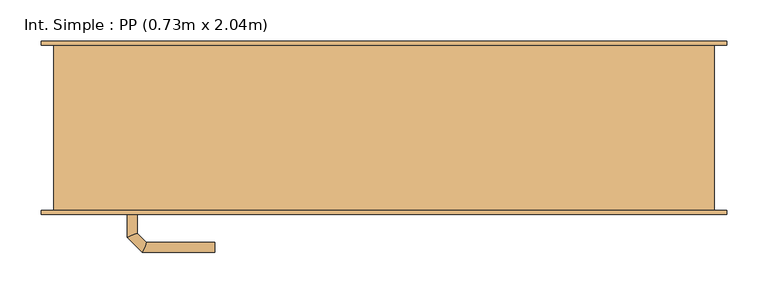
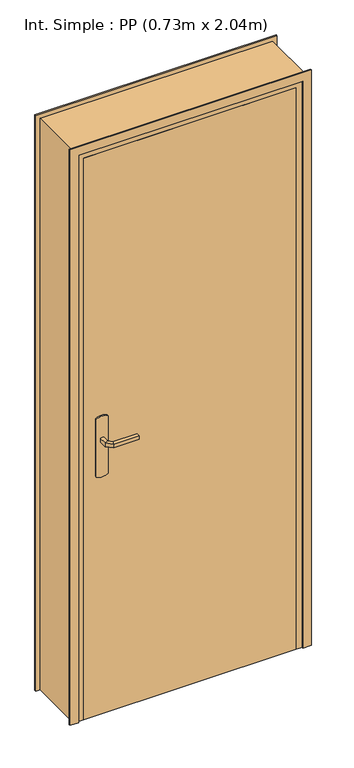
"""IFC4 building model written with IfcOpenShell, lengths in millimetres: door geometry, Int. Simple : PP (0.73m x 2.04m)."""

from ifc_helpers import new_model, si_unit, point, frame, frame_2d, origin, origin_with_axes, place, context, project, spatial, polyline, circle_curve, ellipse_curve, trimmed, segment, composite_curve, outline, extrude, faceted_brep, source, transform, mapped, element, save
from ifc_brep_helpers import plane_surface, cylinder_surface, advanced_brep


def int_simple_pp_0_73m_x_2_04m_83361101(model_context):
    return source(origin(), model_context, "Body", "SolidModel", [
        extrude(outline(composite_curve([segment(trimmed(circle_curve(frame_2d((904.6410162, -340.0)), 40.0), [point((870.0, -360.0))], [point((870.0, -320.0))], False, "CARTESIAN"), True, "CONTINUOUS"), segment(polyline([(870.0, -320.0), (1080.0, -320.0)]), True, "CONTINUOUS"), segment(trimmed(circle_curve(frame_2d((1045.3589838, -340.0)), 40.0), [point((1080.0, -320.0))], [point((1080.0, -360.0))], False, "CARTESIAN"), True, "CONTINUOUS"), segment(polyline([(1080.0, -360.0), (870.0, -360.0)]), True, "CONTINUOUS")], self_intersect=False)), frame((0.0, -105.0, 0.0), z_axis=(0.0, 1.0, 0.0), x_axis=(0.0, 0.0, 1.0)), (0.0, 0.0, 1.0), 5.0),
        extrude(outline(composite_curve([segment(trimmed(circle_curve(frame_2d((1045.3589838, -340.0)), 40.0), [point((1080.0, -320.0))], [point((1080.0, -360.0))], False, "CARTESIAN"), True, "CONTINUOUS"), segment(polyline([(1080.0, -360.0), (870.0, -360.0)]), True, "CONTINUOUS"), segment(trimmed(circle_curve(frame_2d((904.6410162, -340.0)), 40.0), [point((870.0, -360.0))], [point((870.0, -320.0))], False, "CARTESIAN"), True, "CONTINUOUS"), segment(polyline([(870.0, -320.0), (1080.0, -320.0)]), True, "CONTINUOUS")], self_intersect=False)), frame((0.0, -60.0, 0.0), z_axis=(0.0, 1.0, 0.0), x_axis=(0.0, 0.0, 1.0)), (0.0, 0.0, 1.0), 5.0),
        advanced_brep(
        [(-346.0, -105.0, 1007.0), (-334.0, -105.0, 1007.0), (-334.0, -105.0, 993.0), (-346.0, -105.0, 993.0), (-346.0, -132.6509507, 1007.0), (-334.0, -127.680388, 1007.0), (-334.0, -127.680388, 993.0), (-346.0, -132.6509507, 993.0), (-327.62279, -151.0281607, 1007.0), (-322.6522273, -139.0281607, 1007.0), (-322.6522273, -139.0281607, 993.0), (-327.62279, -151.0281607, 993.0), (-239.9813594, -151.0281607, 1007.0), (-239.9813594, -151.0281607, 993.0), (-239.9813594, -139.0281607, 993.0), (-239.9813594, -139.0281607, 1007.0)],
        [
            (0, 1, circle_curve(frame((-340.0, -105.0, 986.9542278), z_axis=(0.0, 1.0, 0.0), x_axis=(1.0, 0.0, 0.0)), 20.9244589)),
            (1, 2),
            (2, 3, circle_curve(frame((-340.0, -105.0, 1013.0457722), z_axis=(0.0, 1.0, 0.0), x_axis=(1.0, 0.0, 0.0)), 20.9244589)),
            (3, 0),
            (0, 4),
            (4, 5, ellipse_curve(frame((-340.0, -130.1656693, 986.9542278), z_axis=(-0.3826834323651126, 0.9238795325112773, 0.0), x_axis=(0.9238795325112775, 0.38268343236511254, 0.0)), 22.6484711, 20.9244589)),
            (5, 1),
            (5, 6),
            (6, 2),
            (6, 7, ellipse_curve(frame((-340.0, -130.1656693, 1013.0457722), z_axis=(-0.3826834323651126, 0.9238795325112773, 0.0), x_axis=(0.9238795325112775, 0.38268343236511254, 0.0)), 22.6484711, 20.9244589)),
            (7, 3),
            (7, 4),
            (4, 8),
            (8, 9, ellipse_curve(frame((-325.1375086, -145.0281607, 986.9542278), z_axis=(-0.9238795325112962, 0.38268343236506686, 0.0), x_axis=(0.3826834323650665, 0.9238795325112965, 0.0)), 22.6484711, 20.9244589)),
            (9, 5),
            (9, 10),
            (10, 6),
            (10, 11, ellipse_curve(frame((-325.1375086, -145.0281607, 1013.0457722), z_axis=(-0.9238795325112962, 0.38268343236506686, 0.0), x_axis=(0.3826834323650665, 0.9238795325112965, 0.0)), 22.6484711, 20.9244589)),
            (11, 7),
            (11, 8),
            (12, 13),
            (13, 14, circle_curve(frame((-239.9813594, -145.0281607, 1013.0457722), z_axis=(1.0, 0.0, 0.0), x_axis=(0.0, 1.0, 0.0)), 20.9244589)),
            (14, 15),
            (15, 12, circle_curve(frame((-239.9813594, -145.0281607, 986.9542278), z_axis=(1.0, 0.0, 0.0), x_axis=(0.0, 1.0, 0.0)), 20.9244589)),
            (8, 12),
            (15, 9),
            (14, 10),
            (13, 11),
        ],
        [
            plane_surface(frame((-349.2195445, -105.0, 1000.0), z_axis=(0.0, 1.0, 0.0), x_axis=(0.0, 0.0, -1.0))),
            cylinder_surface(frame((-340.0, -105.0, 986.9542278), z_axis=(0.0, 1.0, 0.0), x_axis=(1.0, 0.0, 0.0)), 20.9244589),
            plane_surface(frame((-334.0, -105.0, 1007.0), z_axis=(1.0, 0.0, 0.0), x_axis=(0.0, -1.0, 0.0))),
            cylinder_surface(frame((-340.0, -105.0, 1013.0457722), z_axis=(0.0, 1.0, 0.0), x_axis=(1.0, 0.0, 0.0)), 20.9244589),
            plane_surface(frame((-346.0, -105.0, 993.0), z_axis=(-1.0, 0.0, 0.0), x_axis=(0.0, -1.0, 0.0))),
            cylinder_surface(frame((-340.0, -130.1656693, 986.9542278), z_axis=(-0.7071067811865798, 0.7071067811865152, 0.0), x_axis=(0.7071067811865152, 0.7071067811865798, 0.0)), 20.9244589),
            plane_surface(frame((-334.0, -127.680388, 1007.0), z_axis=(0.7071067811865152, 0.7071067811865799, 0.0), x_axis=(0.7071067811865799, -0.7071067811865152, 0.0))),
            cylinder_surface(frame((-340.0, -130.1656693, 1013.0457722), z_axis=(-0.7071067811865798, 0.7071067811865152, 0.0), x_axis=(0.7071067811865152, 0.7071067811865798, 0.0)), 20.9244589),
            plane_surface(frame((-346.0, -132.6509507, 993.0), z_axis=(-0.7071067811865152, -0.7071067811865799, 0.0), x_axis=(0.7071067811865799, -0.7071067811865152, 0.0))),
            plane_surface(frame((-239.9813594, -145.0281607, 990.7804555), z_axis=(1.0, 0.0, 0.0), x_axis=(0.0, 1.0, 0.0))),
            cylinder_surface(frame((-325.1375086, -145.0281607, 986.9542278), z_axis=(-1.0, 0.0, 0.0), x_axis=(0.0, 1.0, 0.0)), 20.9244589),
            plane_surface(frame((-322.6522273, -139.0281607, 1007.0), z_axis=(0.0, 1.0, 0.0), x_axis=(1.0, 0.0, 0.0))),
            cylinder_surface(frame((-325.1375086, -145.0281607, 1013.0457722), z_axis=(-1.0, 0.0, 0.0), x_axis=(0.0, 1.0, 0.0)), 20.9244589),
            plane_surface(frame((-327.62279, -151.0281607, 993.0), z_axis=(0.0, -1.0, 0.0), x_axis=(1.0, 0.0, 0.0))),
        ],
        [
            (0, [[1, 2, 3, 4]]),
            (1, [[-1, 5, 6, 7]]),
            (2, [[-2, -7, 8, 9]]),
            (3, [[-3, -9, 10, 11]]),
            (4, [[-4, -11, 12, -5]]),
            (5, [[-6, 13, 14, 15]]),
            (6, [[-8, -15, 16, 17]]),
            (7, [[-10, -17, 18, 19]]),
            (8, [[-12, -19, 20, -13]]),
            (9, [[21, 22, 23, 24]]),
            (10, [[-14, 25, -24, 26]]),
            (11, [[-16, -26, -23, 27]]),
            (12, [[-18, -27, -22, 28]]),
            (13, [[-20, -28, -21, -25]]),
        ],
    ),
        advanced_brep(
        [(-334.0, -55.0, 993.0), (-334.0, -55.0, 1007.0), (-346.0, -55.0, 1007.0), (-346.0, -55.0, 993.0), (-334.0, -32.5147955, 993.0), (-334.0, -32.5147955, 1007.0), (-346.0, -27.5442327, 1007.0), (-346.0, -27.5442327, 993.0), (-322.5147186, -21.0295141, 993.0), (-322.5147186, -21.0295141, 1007.0), (-327.4852814, -9.0295141, 1007.0), (-327.4852814, -9.0295141, 993.0), (-239.9542163, -21.0295141, 993.0), (-239.9542163, -9.0295141, 993.0), (-239.9542163, -9.0295141, 1007.0), (-239.9542163, -21.0295141, 1007.0)],
        [
            (0, 1),
            (1, 2, circle_curve(frame((-340.0, -55.0, 986.9542278), z_axis=(0.0, -1.0, 0.0), x_axis=(-1.0, 0.0, 0.0)), 20.9244589)),
            (2, 3),
            (3, 0, circle_curve(frame((-340.0, -55.0, 1013.0457722), z_axis=(0.0, -1.0, 0.0), x_axis=(-1.0, 0.0, 0.0)), 20.9244589)),
            (0, 4),
            (4, 5),
            (5, 1),
            (5, 6, ellipse_curve(frame((-340.0, -30.0295141, 986.9542278), z_axis=(-0.3826834323651055, -0.9238795325112801, 0.0), x_axis=(0.9238795325112799, -0.3826834323651064, 0.0)), 22.6484711, 20.9244589)),
            (6, 2),
            (6, 7),
            (7, 3),
            (7, 4, ellipse_curve(frame((-340.0, -30.0295141, 1013.0457722), z_axis=(-0.3826834323651055, -0.9238795325112801, 0.0), x_axis=(0.9238795325112799, -0.3826834323651064, 0.0)), 22.6484711, 20.9244589)),
            (4, 8),
            (8, 9),
            (9, 5),
            (9, 10, ellipse_curve(frame((-325.0, -15.0295141, 986.9542278), z_axis=(-0.9238795325112932, -0.382683432365074, 0.0), x_axis=(0.3826834323650737, -0.9238795325112934, 0.0)), 22.6484711, 20.9244589)),
            (10, 6),
            (10, 11),
            (11, 7),
            (11, 8, ellipse_curve(frame((-325.0, -15.0295141, 1013.0457722), z_axis=(-0.9238795325112932, -0.382683432365074, 0.0), x_axis=(0.3826834323650737, -0.9238795325112934, 0.0)), 22.6484711, 20.9244589)),
            (12, 13, circle_curve(frame((-239.9542163, -15.0295141, 1013.0457722), z_axis=(1.0, 0.0, 0.0), x_axis=(0.0, 1.0, 0.0)), 20.9244589)),
            (13, 14),
            (14, 15, circle_curve(frame((-239.9542163, -15.0295141, 986.9542278), z_axis=(1.0, 0.0, 0.0), x_axis=(0.0, 1.0, 0.0)), 20.9244589)),
            (15, 12),
            (8, 12),
            (15, 9),
            (14, 10),
            (13, 11),
        ],
        [
            plane_surface(frame((-349.2195445, -55.0, 1000.0), z_axis=(0.0, -1.0, 0.0), x_axis=(0.0, 0.0, 1.0))),
            plane_surface(frame((-334.0, -55.0, 993.0), z_axis=(1.0, 0.0, 0.0), x_axis=(0.0, 1.0, 0.0))),
            cylinder_surface(frame((-340.0, -55.0, 986.9542278), z_axis=(0.0, -1.0, 0.0), x_axis=(-1.0, 0.0, 0.0)), 20.9244589),
            plane_surface(frame((-346.0, -55.0, 1007.0), z_axis=(-1.0, 0.0, 0.0), x_axis=(0.0, 1.0, 0.0))),
            cylinder_surface(frame((-340.0, -55.0, 1013.0457722), z_axis=(0.0, -1.0, 0.0), x_axis=(-1.0, 0.0, 0.0)), 20.9244589),
            plane_surface(frame((-334.0, -32.5147955, 993.0), z_axis=(0.7071067811865208, -0.7071067811865742, 0.0), x_axis=(0.7071067811865742, 0.7071067811865208, 0.0))),
            cylinder_surface(frame((-340.0, -30.0295141, 986.9542278), z_axis=(-0.7071067811865742, -0.7071067811865208, 0.0), x_axis=(-0.7071067811865208, 0.7071067811865742, 0.0)), 20.9244589),
            plane_surface(frame((-346.0, -27.5442327, 1007.0), z_axis=(-0.7071067811865209, 0.7071067811865741, 0.0), x_axis=(0.7071067811865741, 0.7071067811865209, 0.0))),
            cylinder_surface(frame((-340.0, -30.0295141, 1013.0457722), z_axis=(-0.7071067811865742, -0.7071067811865208, 0.0), x_axis=(-0.7071067811865208, 0.7071067811865742, 0.0)), 20.9244589),
            plane_surface(frame((-239.9542163, -15.0295141, 990.7804555), z_axis=(1.0, 0.0, 0.0), x_axis=(0.0, 1.0, 0.0))),
            plane_surface(frame((-322.5147186, -21.0295141, 993.0), z_axis=(0.0, -1.0, 0.0), x_axis=(1.0, 0.0, 0.0))),
            cylinder_surface(frame((-325.0, -15.0295141, 986.9542278), z_axis=(-1.0, 0.0, 0.0), x_axis=(0.0, 1.0, 0.0)), 20.9244589),
            plane_surface(frame((-327.4852814, -9.0295141, 1007.0), z_axis=(0.0, 1.0, 0.0), x_axis=(1.0, 0.0, 0.0))),
            cylinder_surface(frame((-325.0, -15.0295141, 1013.0457722), z_axis=(-1.0, 0.0, 0.0), x_axis=(0.0, 1.0, 0.0)), 20.9244589),
        ],
        [
            (0, [[1, 2, 3, 4]]),
            (1, [[-1, 5, 6, 7]]),
            (2, [[-2, -7, 8, 9]]),
            (3, [[-3, -9, 10, 11]]),
            (4, [[-4, -11, 12, -5]]),
            (5, [[-6, 13, 14, 15]]),
            (6, [[-8, -15, 16, 17]]),
            (7, [[-10, -17, 18, 19]]),
            (8, [[-12, -19, 20, -13]]),
            (9, [[21, 22, 23, 24]]),
            (10, [[-14, 25, -24, 26]]),
            (11, [[-16, -26, -23, 27]]),
            (12, [[-18, -27, -22, 28]]),
            (13, [[-20, -28, -21, -25]]),
        ],
    ),
        extrude(outline(polyline([(-400.0, -60.0), (330.0, -60.0), (330.0, -100.0), (-400.0, -100.0), (-400.0, -60.0)])), origin_with_axes(), (0.0, 0.0, 1.0), 2040.0),
        faceted_brep([(-435.0, -100.0, 0.0), (-435.0, 100.0, 0.0), (-385.0, 100.0, 0.0), (-385.0, -60.0, 0.0), (-400.0, -60.0, 0.0), (-400.0, -100.0, 0.0), (-435.0, -100.0, 2075.0), (-435.0, 100.0, 2075.0), (365.0, 100.0, 2075.0), (365.0, 100.0, 0.0), (315.0, 100.0, 0.0), (315.0, 100.0, 2025.0), (-385.0, 100.0, 2025.0), (-385.0, -60.0, 2025.0), (315.0, -60.0, 2025.0), (315.0, -60.0, 0.0), (330.0, -60.0, 0.0), (330.0, -60.0, 2040.0), (-400.0, -60.0, 2040.0), (-400.0, -100.0, 2040.0), (330.0, -100.0, 2040.0), (330.0, -100.0, 0.0), (365.0, -100.0, 0.0), (365.0, -100.0, 2075.0)], [[[0, 1, 2, 3, 4, 5]], [[1, 0, 6, 7]], [[2, 1, 7, 8, 9, 10, 11, 12]], [[3, 2, 12, 13]], [[4, 3, 13, 14, 15, 16, 17, 18]], [[5, 4, 18, 19]], [[0, 5, 19, 20, 21, 22, 23, 6]], [[8, 23, 22, 9]], [[22, 21, 16, 15, 10, 9]], [[14, 11, 10, 15]], [[20, 17, 16, 21]], [[7, 6, 23, 8]], [[13, 12, 11, 14]], [[19, 18, 17, 20]]]),
        extrude(outline(polyline([(0.0, -450.0), (0.0, -420.0), (2060.0, -420.0), (2060.0, 350.0), (0.0, 350.0), (0.0, 380.0), (2090.0, 380.0), (2090.0, -450.0), (0.0, -450.0)])), frame((0.0, -105.0, 0.0), z_axis=(0.0, 1.0, 0.0), x_axis=(0.0, 0.0, 1.0)), (0.0, 0.0, 1.0), 5.0),
        extrude(outline(polyline([(0.0, -450.0), (0.0, -420.0), (2060.0, -420.0), (2060.0, 350.0), (0.0, 350.0), (0.0, 380.0), (2090.0, 380.0), (2090.0, -450.0), (0.0, -450.0)])), frame((0.0, 100.0, 0.0), z_axis=(0.0, 1.0, 0.0), x_axis=(0.0, 0.0, 1.0)), (0.0, 0.0, 1.0), 5.0),
    ])


if __name__ == "__main__":
    model = new_model("IFC4")
    model_context = context("Model", 3, world=origin())
    ifc_project = project(units=[si_unit("LENGTHUNIT", "METRE", prefix="MILLI")], contexts=[model_context])
    site = spatial("IfcSite", under=ifc_project)
    building = spatial("IfcBuilding", under=site)
    placement = place(None, origin())
    int_simple_pp_0_73m_x_2_04m_shape = int_simple_pp_0_73m_x_2_04m_83361101(model_context)
    element("IfcDoor", 1, ObjectType="Int. Simple : PP (0.73m x 2.04m)", at=placement, inside=building, context=model_context, shape_type="MappedRepresentation", body=[
        mapped(int_simple_pp_0_73m_x_2_04m_shape, transform((0.0, 0.0, 0.0), x_axis=(1.0, 0.0, 0.0), y_axis=(0.0, 1.0, 0.0), z_axis=(0.0, 0.0, 1.0))),
    ])
    save(model, "model.ifc")
